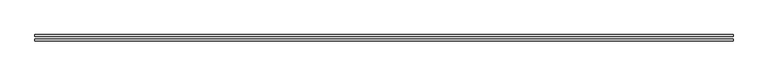
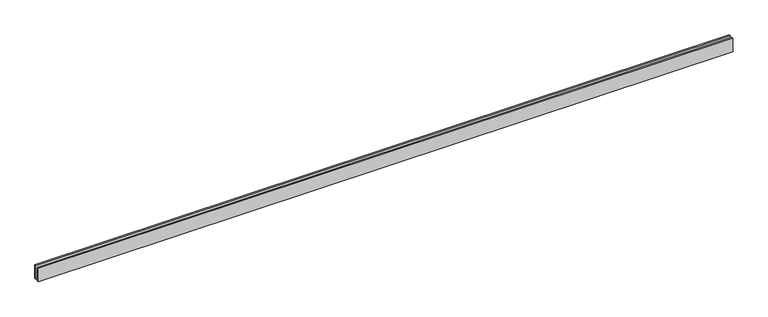
"""IFC4 building model written with IfcOpenShell, lengths in millimetres: proxy geometry."""

from ifc_helpers import new_model, si_unit, origin, origin_with_axes, place, context, project, spatial, polyline, outline, extrude, source, transform, mapped, element, save


def generic_models_1b11dd40(model_context):
    return source(origin(), model_context, "Body", "SweptSolid", [
        extrude(outline(polyline([(12397.4481912, 25.0), (0.0, 25.0), (0.0, 55.0), (12397.4481912, 55.0), (12397.4481912, 25.0)])), origin_with_axes(), (0.0, 0.0, 1.0), 250.0),
        extrude(outline(polyline([(12397.4481912, -55.0), (0.0, -55.0), (0.0, -25.0), (12397.4481912, -25.0), (12397.4481912, -55.0)])), origin_with_axes(), (0.0, 0.0, 1.0), 250.0),
    ])


if __name__ == "__main__":
    model = new_model("IFC4")
    model_context = context("Model", 3, world=origin())
    ifc_project = project(units=[si_unit("LENGTHUNIT", "METRE", prefix="MILLI")], contexts=[model_context])
    site = spatial("IfcSite", under=ifc_project)
    building = spatial("IfcBuilding", under=site)
    placement = place(None, origin())
    generic_models_shape = generic_models_1b11dd40(model_context)
    element("IfcBuildingElementProxy", 1, Name="Generic Models", at=placement, inside=building, context=model_context, shape_type="MappedRepresentation", body=[
        mapped(generic_models_shape, transform((0.0, 0.0, 0.0), x_axis=(1.0, 0.0, 0.0), y_axis=(0.0, 1.0, 0.0), z_axis=(0.0, 0.0, 1.0))),
    ])
    save(model, "model.ifc")
